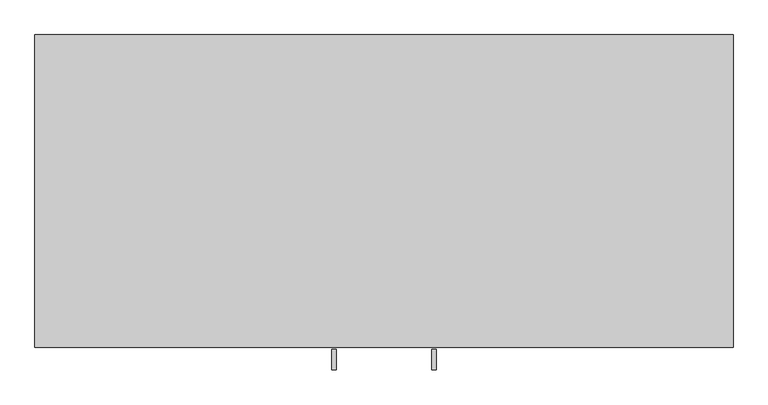
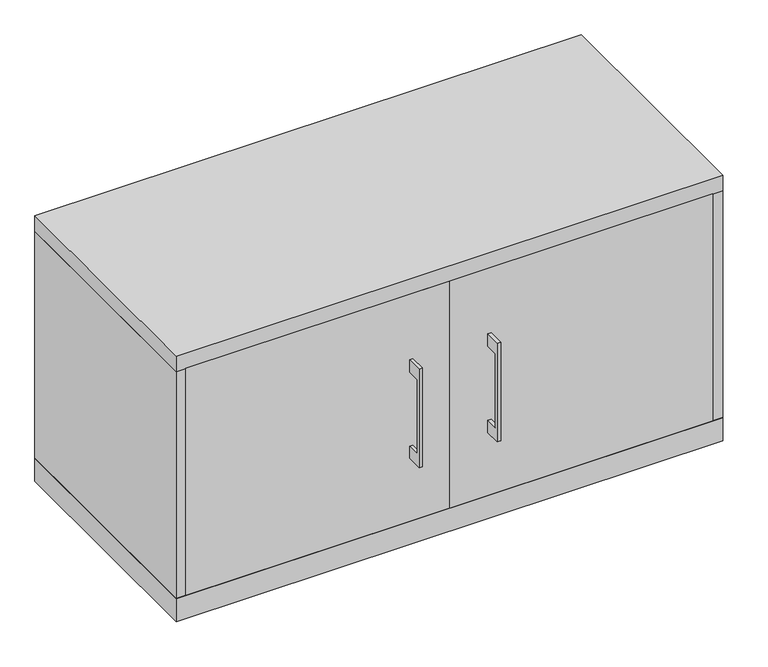
"""IFC4 building model written with IfcOpenShell, lengths in millimetres: furniture geometry."""

from ifc_helpers import new_model, si_unit, frame, origin, origin_with_axes, place, context, project, spatial, polyline, outline, extrude, source, transform, mapped, element, save


def furniture_354f0da9(model_context):
    return source(origin(), model_context, "Body", "SweptSolid", [
        extrude(outline(polyline([(-479.425, 357.1875), (-504.8249758, 357.1875), (-504.8249758, 204.7875), (-479.425, 204.7875), (-479.425, 179.3875), (-511.1749879, 179.3875), (-511.1749879, 382.5875), (-479.425, 382.5875), (-479.425, 357.1875)])), frame((-79.3749879, 0.0, 0.0), z_axis=(1.0, 0.0, 0.0), x_axis=(0.0, 1.0, 0.0)), (0.0, 0.0, 1.0), 6.3499758),
        extrude(outline(polyline([(-512.7625, -476.25), (-512.7625, -457.2), (0.0, -457.2), (0.0, -476.25), (-512.7625, -476.25)])), frame((0.0, 0.0, 47.625), z_axis=(0.0, 0.0, 1.0), x_axis=(1.0, 0.0, 0.0)), (0.0, 0.0, 1.0), 466.725),
        extrude(outline(polyline([(-479.425, 357.1875), (-504.8249758, 357.1875), (-504.8249758, 204.7875), (-479.425, 204.7875), (-479.425, 179.3875), (-511.1749879, 179.3875), (-511.1749879, 382.5875), (-479.425, 382.5875), (-479.425, 357.1875)])), frame((73.0250121, 0.0, 0.0), z_axis=(1.0, 0.0, 0.0), x_axis=(0.0, 1.0, 0.0)), (0.0, 0.0, 1.0), 6.3499758),
        extrude(outline(polyline([(512.7625, -476.25), (0.0, -476.25), (0.0, -457.2), (512.7625, -457.2), (512.7625, -476.25)])), frame((0.0, 0.0, 47.625), z_axis=(0.0, 0.0, 1.0), x_axis=(1.0, 0.0, 0.0)), (0.0, 0.0, 1.0), 466.725),
        extrude(outline(polyline([(512.7625, -19.05), (512.7625, -457.2), (-512.7625, -457.2), (-512.7625, -19.05), (512.7625, -19.05)])), frame((0.0, 0.0, 271.4625), z_axis=(0.0, 0.0, 1.0), x_axis=(1.0, 0.0, 0.0)), (0.0, 0.0, 1.0), 19.05),
        extrude(outline(polyline([(531.8125, 0.0), (531.8125, -476.25), (-531.8125, -476.25), (-531.8125, 0.0), (531.8125, 0.0)])), origin_with_axes(), (0.0, 0.0, 1.0), 47.625),
        extrude(outline(polyline([(531.8125, 0.0), (531.8125, -476.25), (-531.8125, -476.25), (-531.8125, 0.0), (531.8125, 0.0)])), frame((0.0, 0.0, 514.35), z_axis=(0.0, 0.0, 1.0), x_axis=(1.0, 0.0, 0.0)), (0.0, 0.0, 1.0), 31.75),
        extrude(outline(polyline([(531.8125, 0.0), (531.8125, -476.25), (512.7625, -476.25), (512.7625, -19.05), (-512.7625, -19.05), (-512.7625, -476.25), (-531.8125, -476.25), (-531.8125, 0.0), (531.8125, 0.0)])), frame((0.0, 0.0, 47.625), z_axis=(0.0, 0.0, 1.0), x_axis=(1.0, 0.0, 0.0)), (0.0, 0.0, 1.0), 466.725),
    ])


if __name__ == "__main__":
    model = new_model("IFC4")
    model_context = context("Model", 3, world=origin())
    ifc_project = project(units=[si_unit("LENGTHUNIT", "METRE", prefix="MILLI")], contexts=[model_context])
    site = spatial("IfcSite", under=ifc_project)
    building = spatial("IfcBuilding", under=site)
    placement = place(None, origin())
    furniture_shape = furniture_354f0da9(model_context)
    element("IfcFurniture", 1, at=placement, inside=building, context=model_context, shape_type="MappedRepresentation", body=[
        mapped(furniture_shape, transform((0.0, 0.0, 0.0), x_axis=(1.0, 0.0, 0.0), y_axis=(0.0, 1.0, 0.0), z_axis=(0.0, 0.0, 1.0))),
    ])
    save(model, "model.ifc")
